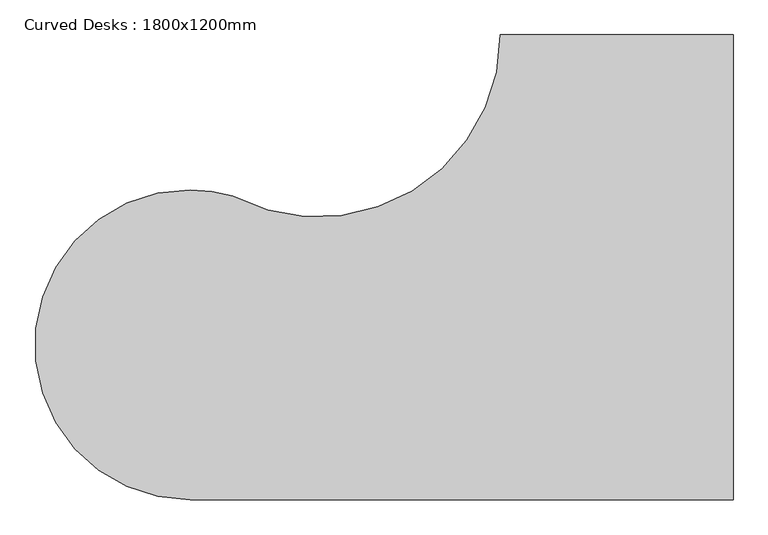
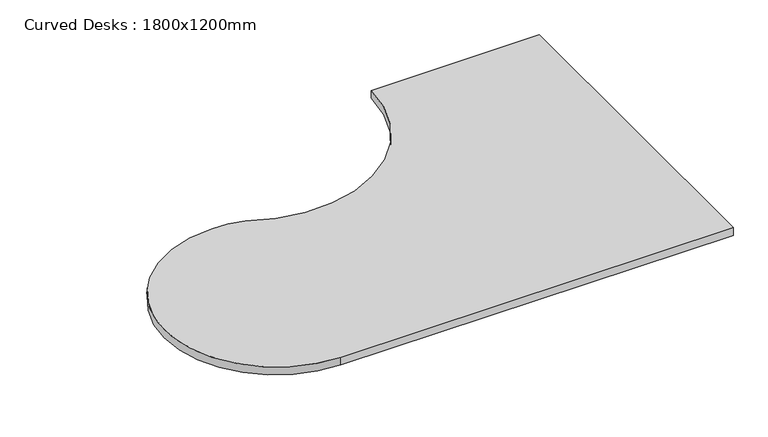
"""IFC4 building model written with IfcOpenShell, lengths in millimetres: furniture geometry, Curved Desks : 1800x1200mm."""

import ifcopenshell
import ifcopenshell.guid

model = None  # the IFC model being written
_history = None  # IfcOwnerHistory: only IFC2X3 demands one
_inside = {}  # id of a spatial element -> (the spatial element, [elements in it])
_under = {}  # id of a project, library or spatial element -> (it, [spatial elements below it])
_declared = {}  # id of a project -> (the project, [libraries it declares])
_typed = {}  # id of a type object -> (the type object, [elements of that type])
_made_of = {}  # id of a material, layer set ... -> (it, [elements and type objects made of it])


def new_model(schema):
    """Start an empty IFC model of exactly this schema.

    Asked for "IFC4X3", IfcOpenShell would pick the latest addendum, in which some entities
    have other attributes; the version numbers below select the first issue.
    IFC2X3 requires an IfcOwnerHistory on every rooted entity: one is made here for all.
    """
    global model, _history
    if schema == "IFC4X3":
        model = ifcopenshell.file(schema_version=(4, 3, 0, 0))
    else:
        model = ifcopenshell.file(schema=schema)
    _inside.clear()
    _under.clear()
    _declared.clear()
    _typed.clear()
    _made_of.clear()
    _history = None
    if model.schema == "IFC2X3":
        org = make("IfcOrganization", Name="unknown")
        user = make(
            "IfcPersonAndOrganization",
            ThePerson=make("IfcPerson", FamilyName="unknown"),
            TheOrganization=org,
        )
        app = make(
            "IfcApplication",
            ApplicationDeveloper=org,
            Version="unknown",
            ApplicationFullName="unknown",
            ApplicationIdentifier="unknown",
        )
        _history = make(
            "IfcOwnerHistory",
            OwningUser=user,
            OwningApplication=app,
            ChangeAction="ADDED",
            CreationDate=0,
        )
    return model


def make(cls, **values):
    """One entity of the class cls with the attributes given. An attribute that is None is left unset."""
    return model.create_entity(
        cls, **{name: value for name, value in values.items() if value is not None}
    )


def rooted(cls, **values):
    """An entity with a GlobalId (a new one), such as an element, a storey or a relation."""
    return make(cls, GlobalId=ifcopenshell.guid.new(), OwnerHistory=_history, **values)


def si_unit(unit_type, name, prefix=None):
    """IfcSIUnit, for example si_unit("LENGTHUNIT", "METRE", prefix="MILLI")."""
    return make("IfcSIUnit", UnitType=unit_type, Prefix=prefix, Name=name)


def assignment(units):
    """IfcUnitAssignment: the units of a project."""
    return None if units is None else make("IfcUnitAssignment", Units=units)


def point(xyz):
    """IfcCartesianPoint."""
    return None if xyz is None else make("IfcCartesianPoint", Coordinates=xyz)


def direction(xyz):
    """IfcDirection."""
    return None if xyz is None else make("IfcDirection", DirectionRatios=xyz)


def frame(location, z_axis=None, x_axis=None):
    """IfcAxis2Placement3D, a coordinate frame: its origin and axes. An axis left out is left unset."""
    return make(
        "IfcAxis2Placement3D",
        Location=point(location),
        Axis=direction(z_axis),
        RefDirection=direction(x_axis),
    )


def frame_2d(location, x_axis=None):
    """IfcAxis2Placement2D, a coordinate frame in the plane: its origin and x axis."""
    return make(
        "IfcAxis2Placement2D", Location=point(location), RefDirection=direction(x_axis)
    )


def origin():
    """The frame at (0, 0, 0) with its axes left unset."""
    return frame((0.0, 0.0, 0.0))


def place(relative_to, where):
    """IfcLocalPlacement: puts the frame where relative to a parent placement (None: the world)."""
    return make(
        "IfcLocalPlacement", PlacementRelTo=relative_to, RelativePlacement=where
    )


def context(
    kind, dimensions, precision=None, world=None, true_north=None, identifier=None
):
    """IfcGeometricRepresentationContext, for example the 3D "Model" context."""
    return make(
        "IfcGeometricRepresentationContext",
        ContextIdentifier=identifier,
        ContextType=kind,
        CoordinateSpaceDimension=dimensions,
        Precision=precision,
        WorldCoordinateSystem=world,
        TrueNorth=true_north,
    )


def project(units=None, contexts=None):
    """IfcProject with its units and contexts."""
    return rooted(
        "IfcProject",
        Name="project",
        RepresentationContexts=contexts,
        UnitsInContext=assignment(units),
    )


def spatial(cls, under=None, at=None, **own):
    """A site, building, storey or space (cls), placed at a placement, below another one or the project."""
    s = rooted(cls, ObjectPlacement=at, **own)
    if under is not None:
        _under.setdefault(under.id(), (under, []))[1].append(s)
    return s


def polyline(points):
    """IfcPolyline through the points."""
    return make("IfcPolyline", Points=[point(p) for p in points])


def circle_curve(where, radius):
    """IfcCircle in the frame where."""
    return make("IfcCircle", Position=where, Radius=radius)


def trimmed(basis, trim1, trim2, sense, master):
    """IfcTrimmedCurve: the piece of a basis curve between two trims."""
    return make(
        "IfcTrimmedCurve",
        BasisCurve=basis,
        Trim1=trim1,
        Trim2=trim2,
        SenseAgreement=sense,
        MasterRepresentation=master,
    )


def segment(curve, same_sense, transition):
    """IfcCompositeCurveSegment."""
    return make(
        "IfcCompositeCurveSegment",
        Transition=transition,
        SameSense=same_sense,
        ParentCurve=curve,
    )


def composite_curve(segments, self_intersect=None):
    """IfcCompositeCurve: segments joined end to end."""
    return make("IfcCompositeCurve", Segments=segments, SelfIntersect=self_intersect)


def outline(outer, holes=None, kind="AREA"):
    """IfcArbitraryClosedProfileDef: a profile drawn as a closed curve; with holes, ...WithVoids."""
    if holes is None:
        return make("IfcArbitraryClosedProfileDef", ProfileType=kind, OuterCurve=outer)
    return make(
        "IfcArbitraryProfileDefWithVoids",
        ProfileType=kind,
        OuterCurve=outer,
        InnerCurves=holes,
    )


def extrude(swept, where, along, depth):
    """IfcExtrudedAreaSolid: the profile swept, set in the frame where, extruded along a direction by depth."""
    return make(
        "IfcExtrudedAreaSolid",
        SweptArea=swept,
        Position=where,
        ExtrudedDirection=direction(along),
        Depth=depth,
    )


def shape(context_of_items, identifier, shape_type, items):
    """IfcShapeRepresentation: the items that make up one representation, for example the "Body"."""
    return make(
        "IfcShapeRepresentation",
        ContextOfItems=context_of_items,
        RepresentationIdentifier=identifier,
        RepresentationType=shape_type,
        Items=items,
    )


def source(mapping_origin, context_of_items, identifier, shape_type, items):
    """IfcRepresentationMap: a shape defined once, which mapped items show again and again."""
    return make(
        "IfcRepresentationMap",
        MappingOrigin=mapping_origin,
        MappedRepresentation=shape(context_of_items, identifier, shape_type, items),
    )


def transform(
    local_origin,
    x_axis=None,
    y_axis=None,
    z_axis=None,
    scale=None,
    scale2=None,
    scale3=None,
    uniform=True,
):
    """IfcCartesianTransformationOperator3D, or its non-uniform kind. x_axis, y_axis, z_axis: its Axis1, 2, 3."""
    if uniform:
        return make(
            "IfcCartesianTransformationOperator3D",
            Axis1=direction(x_axis),
            Axis2=direction(y_axis),
            LocalOrigin=point(local_origin),
            Scale=scale,
            Axis3=direction(z_axis),
        )
    return make(
        "IfcCartesianTransformationOperator3DnonUniform",
        Axis1=direction(x_axis),
        Axis2=direction(y_axis),
        LocalOrigin=point(local_origin),
        Scale=scale,
        Axis3=direction(z_axis),
        Scale2=scale2,
        Scale3=scale3,
    )


def mapped(mapping_source, mapping_target):
    """IfcMappedItem: shows the shape of a source again, moved by a transform."""
    return make(
        "IfcMappedItem", MappingSource=mapping_source, MappingTarget=mapping_target
    )


def made_of(thing, what):
    """Note that an element or type object is made of a material, layer set ...; save() writes the relation."""
    if what is not None:
        _made_of.setdefault(what.id(), (what, []))[1].append(thing)
    return thing


def element(
    cls,
    number,
    at=None,
    inside=None,
    cuts=None,
    type_object=None,
    material=None,
    context=None,
    identifier="Body",
    shape_type=None,
    held_by="IfcProductDefinitionShape",
    body=None,
    shapes=None,
    **own,
):
    """One element of the class cls, such as IfcWall. Its Tag is "e" and its number.

    at: its placement. inside: the storey or other place that contains it. cuts: it is an
    opening in that element (IfcRelVoidsElement). A single representation is given by context,
    identifier, shape_type and body (its items); several are given by shapes. held_by: the class
    of the entity that holds the representations. save() writes the other relations.
    """
    e = rooted(cls, Tag="e%d" % number, ObjectPlacement=at, **own)
    if body is not None:
        shapes = [shape(context, identifier, shape_type, body)]
    if shapes is not None:
        e.Representation = make(held_by, Representations=shapes)
    if inside is not None:
        _inside.setdefault(inside.id(), (inside, []))[1].append(e)
    if cuts is not None:
        rooted(
            "IfcRelVoidsElement", RelatingBuildingElement=cuts, RelatedOpeningElement=e
        )
    if type_object is not None:
        _typed.setdefault(type_object.id(), (type_object, []))[1].append(e)
    return made_of(e, material)


def aggregate(whole, parts):
    """IfcRelAggregates: a whole, such as a stair, and the parts it consists of."""
    return rooted("IfcRelAggregates", RelatingObject=whole, RelatedObjects=parts)


def save(model, path):
    """Write the relations noted so far, then the file.

    IfcRelAggregates (storeys below a building ...), IfcRelContainedInSpatialStructure (elements
    in a storey), IfcRelDefinesByType, IfcRelAssociatesMaterial and IfcRelDeclares: one each for
    every whole, place, type object, material and project.
    """
    for whole, parts in _under.values():
        aggregate(whole, parts)
    for where, things in _inside.values():
        rooted(
            "IfcRelContainedInSpatialStructure",
            RelatedElements=things,
            RelatingStructure=where,
        )
    for kind, things in _typed.values():
        rooted("IfcRelDefinesByType", RelatedObjects=things, RelatingType=kind)
    for what, things in _made_of.values():
        rooted("IfcRelAssociatesMaterial", RelatedObjects=things, RelatingMaterial=what)
    for by, libraries in _declared.values():
        rooted("IfcRelDeclares", RelatingContext=by, RelatedDefinitions=libraries)
    model.write(path)


def curved_desks_1800x1200mm_01581c2d(model_context):
    return source(origin(), model_context, "Body", "SweptSolid", [
        extrude(outline(composite_curve([segment(polyline([(-19.05, 0.0), (-1419.05, 0.0)]), True, "CONTINUOUS"), segment(trimmed(circle_curve(frame_2d((-1419.05, 400.0)), 400.0), [point((-1419.05, 0.0))], [point((-1419.05, 800.0))], False, "CARTESIAN"), True, "CONTINUOUS"), segment(trimmed(circle_curve(frame_2d((-1419.05, 400.0)), 400.0), [point((-1419.05, 800.0))], [point((-1308.674359, 784.4700481))], False, "CARTESIAN"), True, "CONTINUOUS"), segment(trimmed(circle_curve(frame_2d((-1089.05, 1200.0)), 470.0), [point((-1308.674359, 784.4700481))], [point((-619.05, 1200.0))], True, "CARTESIAN"), True, "CONTINUOUS"), segment(polyline([(-619.05, 1200.0), (-19.05, 1200.0), (-19.05, 0.0)]), True, "CONTINUOUS")], self_intersect=False)), frame((0.0, 0.0, 698.4486678), z_axis=(0.0, 0.0, 1.0), x_axis=(1.0, 0.0, 0.0)), (0.0, 0.0, 1.0), 29.8256661),
    ])


if __name__ == "__main__":
    model = new_model("IFC4")
    model_context = context("Model", 3, world=origin())
    ifc_project = project(units=[si_unit("LENGTHUNIT", "METRE", prefix="MILLI")], contexts=[model_context])
    site = spatial("IfcSite", under=ifc_project)
    building = spatial("IfcBuilding", under=site)
    placement = place(None, origin())
    curved_desks_1800x1200mm_shape = curved_desks_1800x1200mm_01581c2d(model_context)
    element("IfcFurniture", 1, ObjectType="Curved Desks : 1800x1200mm", at=placement, inside=building, context=model_context, shape_type="MappedRepresentation", body=[
        mapped(curved_desks_1800x1200mm_shape, transform((0.0, 0.0, 0.0), x_axis=(1.0, 0.0, 0.0), y_axis=(0.0, 1.0, 0.0), z_axis=(0.0, 0.0, 1.0))),
    ])
    save(model, "model.ifc")
